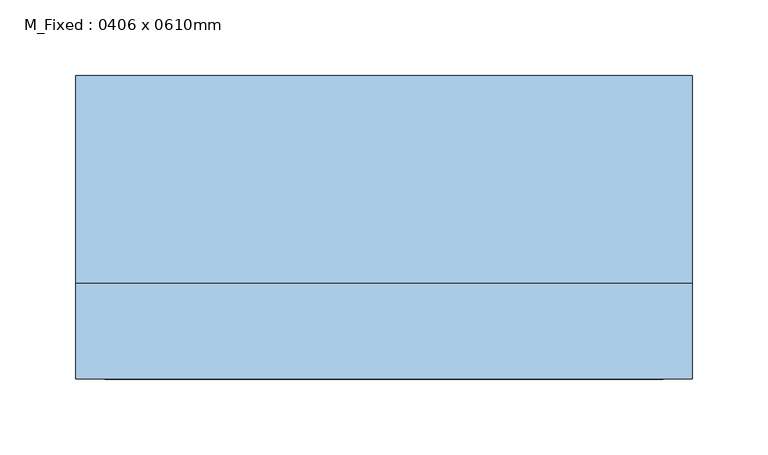
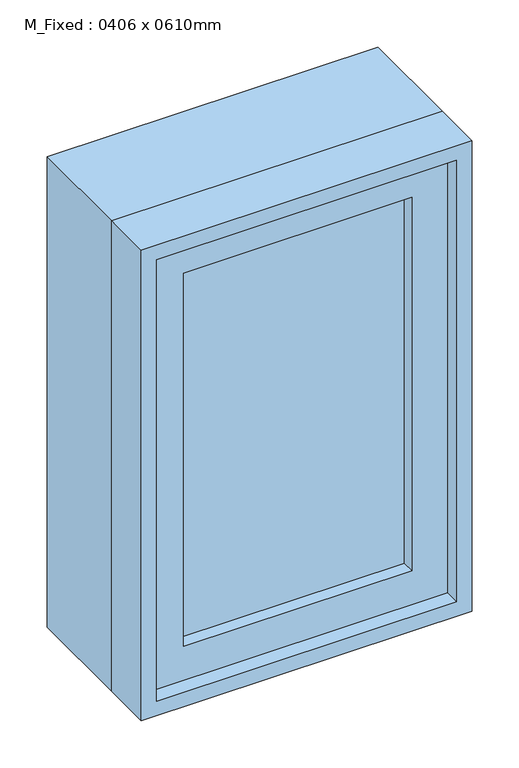
"""IFC4 building model written with IfcOpenShell, lengths in millimetres: window geometry, M_Fixed : 0406 x 0610mm."""

import ifcopenshell
import ifcopenshell.guid

model = None  # the IFC model being written
_history = None  # IfcOwnerHistory: only IFC2X3 demands one
_inside = {}  # id of a spatial element -> (the spatial element, [elements in it])
_under = {}  # id of a project, library or spatial element -> (it, [spatial elements below it])
_declared = {}  # id of a project -> (the project, [libraries it declares])
_typed = {}  # id of a type object -> (the type object, [elements of that type])
_made_of = {}  # id of a material, layer set ... -> (it, [elements and type objects made of it])


def new_model(schema):
    """Start an empty IFC model of exactly this schema.

    Asked for "IFC4X3", IfcOpenShell would pick the latest addendum, in which some entities
    have other attributes; the version numbers below select the first issue.
    IFC2X3 requires an IfcOwnerHistory on every rooted entity: one is made here for all.
    """
    global model, _history
    if schema == "IFC4X3":
        model = ifcopenshell.file(schema_version=(4, 3, 0, 0))
    else:
        model = ifcopenshell.file(schema=schema)
    _inside.clear()
    _under.clear()
    _declared.clear()
    _typed.clear()
    _made_of.clear()
    _history = None
    if model.schema == "IFC2X3":
        org = make("IfcOrganization", Name="unknown")
        user = make(
            "IfcPersonAndOrganization",
            ThePerson=make("IfcPerson", FamilyName="unknown"),
            TheOrganization=org,
        )
        app = make(
            "IfcApplication",
            ApplicationDeveloper=org,
            Version="unknown",
            ApplicationFullName="unknown",
            ApplicationIdentifier="unknown",
        )
        _history = make(
            "IfcOwnerHistory",
            OwningUser=user,
            OwningApplication=app,
            ChangeAction="ADDED",
            CreationDate=0,
        )
    return model


def make(cls, **values):
    """One entity of the class cls with the attributes given. An attribute that is None is left unset."""
    return model.create_entity(
        cls, **{name: value for name, value in values.items() if value is not None}
    )


def rooted(cls, **values):
    """An entity with a GlobalId (a new one), such as an element, a storey or a relation."""
    return make(cls, GlobalId=ifcopenshell.guid.new(), OwnerHistory=_history, **values)


def si_unit(unit_type, name, prefix=None):
    """IfcSIUnit, for example si_unit("LENGTHUNIT", "METRE", prefix="MILLI")."""
    return make("IfcSIUnit", UnitType=unit_type, Prefix=prefix, Name=name)


def assignment(units):
    """IfcUnitAssignment: the units of a project."""
    return None if units is None else make("IfcUnitAssignment", Units=units)


def point(xyz):
    """IfcCartesianPoint."""
    return None if xyz is None else make("IfcCartesianPoint", Coordinates=xyz)


def direction(xyz):
    """IfcDirection."""
    return None if xyz is None else make("IfcDirection", DirectionRatios=xyz)


def frame(location, z_axis=None, x_axis=None):
    """IfcAxis2Placement3D, a coordinate frame: its origin and axes. An axis left out is left unset."""
    return make(
        "IfcAxis2Placement3D",
        Location=point(location),
        Axis=direction(z_axis),
        RefDirection=direction(x_axis),
    )


def origin():
    """The frame at (0, 0, 0) with its axes left unset."""
    return frame((0.0, 0.0, 0.0))


def place(relative_to, where):
    """IfcLocalPlacement: puts the frame where relative to a parent placement (None: the world)."""
    return make(
        "IfcLocalPlacement", PlacementRelTo=relative_to, RelativePlacement=where
    )


def context(
    kind, dimensions, precision=None, world=None, true_north=None, identifier=None
):
    """IfcGeometricRepresentationContext, for example the 3D "Model" context."""
    return make(
        "IfcGeometricRepresentationContext",
        ContextIdentifier=identifier,
        ContextType=kind,
        CoordinateSpaceDimension=dimensions,
        Precision=precision,
        WorldCoordinateSystem=world,
        TrueNorth=true_north,
    )


def project(units=None, contexts=None):
    """IfcProject with its units and contexts."""
    return rooted(
        "IfcProject",
        Name="project",
        RepresentationContexts=contexts,
        UnitsInContext=assignment(units),
    )


def spatial(cls, under=None, at=None, **own):
    """A site, building, storey or space (cls), placed at a placement, below another one or the project."""
    s = rooted(cls, ObjectPlacement=at, **own)
    if under is not None:
        _under.setdefault(under.id(), (under, []))[1].append(s)
    return s


def polyline(points):
    """IfcPolyline through the points."""
    return make("IfcPolyline", Points=[point(p) for p in points])


def outline(outer, holes=None, kind="AREA"):
    """IfcArbitraryClosedProfileDef: a profile drawn as a closed curve; with holes, ...WithVoids."""
    if holes is None:
        return make("IfcArbitraryClosedProfileDef", ProfileType=kind, OuterCurve=outer)
    return make(
        "IfcArbitraryProfileDefWithVoids",
        ProfileType=kind,
        OuterCurve=outer,
        InnerCurves=holes,
    )


def extrude(swept, where, along, depth):
    """IfcExtrudedAreaSolid: the profile swept, set in the frame where, extruded along a direction by depth."""
    return make(
        "IfcExtrudedAreaSolid",
        SweptArea=swept,
        Position=where,
        ExtrudedDirection=direction(along),
        Depth=depth,
    )


def shape(context_of_items, identifier, shape_type, items):
    """IfcShapeRepresentation: the items that make up one representation, for example the "Body"."""
    return make(
        "IfcShapeRepresentation",
        ContextOfItems=context_of_items,
        RepresentationIdentifier=identifier,
        RepresentationType=shape_type,
        Items=items,
    )


def source(mapping_origin, context_of_items, identifier, shape_type, items):
    """IfcRepresentationMap: a shape defined once, which mapped items show again and again."""
    return make(
        "IfcRepresentationMap",
        MappingOrigin=mapping_origin,
        MappedRepresentation=shape(context_of_items, identifier, shape_type, items),
    )


def transform(
    local_origin,
    x_axis=None,
    y_axis=None,
    z_axis=None,
    scale=None,
    scale2=None,
    scale3=None,
    uniform=True,
):
    """IfcCartesianTransformationOperator3D, or its non-uniform kind. x_axis, y_axis, z_axis: its Axis1, 2, 3."""
    if uniform:
        return make(
            "IfcCartesianTransformationOperator3D",
            Axis1=direction(x_axis),
            Axis2=direction(y_axis),
            LocalOrigin=point(local_origin),
            Scale=scale,
            Axis3=direction(z_axis),
        )
    return make(
        "IfcCartesianTransformationOperator3DnonUniform",
        Axis1=direction(x_axis),
        Axis2=direction(y_axis),
        LocalOrigin=point(local_origin),
        Scale=scale,
        Axis3=direction(z_axis),
        Scale2=scale2,
        Scale3=scale3,
    )


def mapped(mapping_source, mapping_target):
    """IfcMappedItem: shows the shape of a source again, moved by a transform."""
    return make(
        "IfcMappedItem", MappingSource=mapping_source, MappingTarget=mapping_target
    )


def made_of(thing, what):
    """Note that an element or type object is made of a material, layer set ...; save() writes the relation."""
    if what is not None:
        _made_of.setdefault(what.id(), (what, []))[1].append(thing)
    return thing


def element(
    cls,
    number,
    at=None,
    inside=None,
    cuts=None,
    type_object=None,
    material=None,
    context=None,
    identifier="Body",
    shape_type=None,
    held_by="IfcProductDefinitionShape",
    body=None,
    shapes=None,
    **own,
):
    """One element of the class cls, such as IfcWall. Its Tag is "e" and its number.

    at: its placement. inside: the storey or other place that contains it. cuts: it is an
    opening in that element (IfcRelVoidsElement). A single representation is given by context,
    identifier, shape_type and body (its items); several are given by shapes. held_by: the class
    of the entity that holds the representations. save() writes the other relations.
    """
    e = rooted(cls, Tag="e%d" % number, ObjectPlacement=at, **own)
    if body is not None:
        shapes = [shape(context, identifier, shape_type, body)]
    if shapes is not None:
        e.Representation = make(held_by, Representations=shapes)
    if inside is not None:
        _inside.setdefault(inside.id(), (inside, []))[1].append(e)
    if cuts is not None:
        rooted(
            "IfcRelVoidsElement", RelatingBuildingElement=cuts, RelatedOpeningElement=e
        )
    if type_object is not None:
        _typed.setdefault(type_object.id(), (type_object, []))[1].append(e)
    return made_of(e, material)


def aggregate(whole, parts):
    """IfcRelAggregates: a whole, such as a stair, and the parts it consists of."""
    return rooted("IfcRelAggregates", RelatingObject=whole, RelatedObjects=parts)


def save(model, path):
    """Write the relations noted so far, then the file.

    IfcRelAggregates (storeys below a building ...), IfcRelContainedInSpatialStructure (elements
    in a storey), IfcRelDefinesByType, IfcRelAssociatesMaterial and IfcRelDeclares: one each for
    every whole, place, type object, material and project.
    """
    for whole, parts in _under.values():
        aggregate(whole, parts)
    for where, things in _inside.values():
        rooted(
            "IfcRelContainedInSpatialStructure",
            RelatedElements=things,
            RelatingStructure=where,
        )
    for kind, things in _typed.values():
        rooted("IfcRelDefinesByType", RelatedObjects=things, RelatingType=kind)
    for what, things in _made_of.values():
        rooted("IfcRelAssociatesMaterial", RelatedObjects=things, RelatingMaterial=what)
    for by, libraries in _declared.values():
        rooted("IfcRelDeclares", RelatingContext=by, RelatedDefinitions=libraries)
    model.write(path)


def m_fixed_0406_x_0610mm_98f1b7d8(model_context):
    return source(origin(), model_context, "Body", "SweptSolid", [
        extrude(outline(polyline([(-140.0, -78.0), (-140.0, -66.0), (140.0, -66.0), (140.0, -78.0), (-140.0, -78.0)])), frame((0.0, 0.0, 978.0), z_axis=(0.0, 0.0, 1.0), x_axis=(1.0, 0.0, 0.0)), (0.0, 0.0, 1.0), 484.0),
        extrude(outline(polyline([(1506.0, -184.0), (934.0, -184.0), (934.0, 184.0), (1506.0, 184.0), (1506.0, -184.0)]), holes=[polyline([(1462.0, -140.0), (1462.0, 140.0), (978.0, 140.0), (978.0, -140.0), (1462.0, -140.0)])]), frame((0.0, -94.0, 0.0), z_axis=(0.0, 1.0, 0.0), x_axis=(0.0, 0.0, 1.0)), (0.0, 0.0, 1.0), 44.0),
        extrude(outline(polyline([(1525.0, -203.0), (915.0, -203.0), (915.0, 203.0), (1525.0, 203.0), (1525.0, -203.0)]), holes=[polyline([(1506.0, -184.0), (1506.0, 184.0), (934.0, 184.0), (934.0, -184.0), (1506.0, -184.0)])]), frame((0.0, -113.0, 0.0), z_axis=(0.0, 1.0, 0.0), x_axis=(0.0, 0.0, 1.0)), (0.0, 0.0, 1.0), 63.0),
        extrude(outline(polyline([(1525.0, -203.0), (915.0, -203.0), (915.0, 203.0), (1525.0, 203.0), (1525.0, -203.0)]), holes=[polyline([(1493.0, -171.0), (1493.0, 171.0), (947.0, 171.0), (947.0, -171.0), (1493.0, -171.0)])]), frame((0.0, -50.0, 0.0), z_axis=(0.0, 1.0, 0.0), x_axis=(0.0, 0.0, 1.0)), (0.0, 0.0, 1.0), 137.0),
    ])


if __name__ == "__main__":
    model = new_model("IFC4")
    model_context = context("Model", 3, world=origin())
    ifc_project = project(units=[si_unit("LENGTHUNIT", "METRE", prefix="MILLI")], contexts=[model_context])
    site = spatial("IfcSite", under=ifc_project)
    building = spatial("IfcBuilding", under=site)
    placement = place(None, origin())
    m_fixed_0406_x_0610mm_shape = m_fixed_0406_x_0610mm_98f1b7d8(model_context)
    element("IfcWindow", 1, ObjectType="M_Fixed : 0406 x 0610mm", at=placement, inside=building, context=model_context, shape_type="MappedRepresentation", body=[
        mapped(m_fixed_0406_x_0610mm_shape, transform((0.0, 0.0, 0.0), x_axis=(1.0, 0.0, 0.0), y_axis=(0.0, 1.0, 0.0), z_axis=(0.0, 0.0, 1.0))),
    ])
    save(model, "model.ifc")
